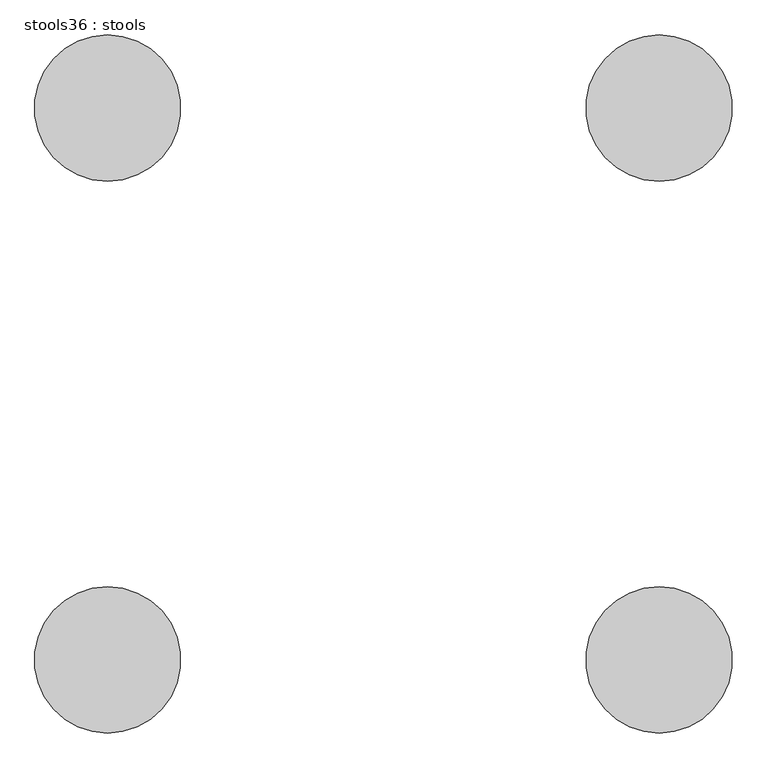
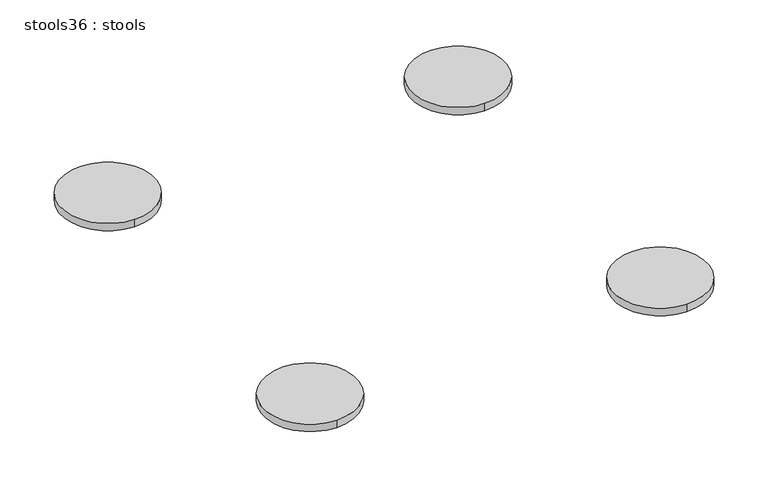
"""IFC4 building model written with IfcOpenShell, lengths in millimetres: furniture geometry, stools36 : stools."""

import ifcopenshell
import ifcopenshell.guid

model = None  # the IFC model being written
_history = None  # IfcOwnerHistory: only IFC2X3 demands one
_inside = {}  # id of a spatial element -> (the spatial element, [elements in it])
_under = {}  # id of a project, library or spatial element -> (it, [spatial elements below it])
_declared = {}  # id of a project -> (the project, [libraries it declares])
_typed = {}  # id of a type object -> (the type object, [elements of that type])
_made_of = {}  # id of a material, layer set ... -> (it, [elements and type objects made of it])


def new_model(schema):
    """Start an empty IFC model of exactly this schema.

    Asked for "IFC4X3", IfcOpenShell would pick the latest addendum, in which some entities
    have other attributes; the version numbers below select the first issue.
    IFC2X3 requires an IfcOwnerHistory on every rooted entity: one is made here for all.
    """
    global model, _history
    if schema == "IFC4X3":
        model = ifcopenshell.file(schema_version=(4, 3, 0, 0))
    else:
        model = ifcopenshell.file(schema=schema)
    _inside.clear()
    _under.clear()
    _declared.clear()
    _typed.clear()
    _made_of.clear()
    _history = None
    if model.schema == "IFC2X3":
        org = make("IfcOrganization", Name="unknown")
        user = make(
            "IfcPersonAndOrganization",
            ThePerson=make("IfcPerson", FamilyName="unknown"),
            TheOrganization=org,
        )
        app = make(
            "IfcApplication",
            ApplicationDeveloper=org,
            Version="unknown",
            ApplicationFullName="unknown",
            ApplicationIdentifier="unknown",
        )
        _history = make(
            "IfcOwnerHistory",
            OwningUser=user,
            OwningApplication=app,
            ChangeAction="ADDED",
            CreationDate=0,
        )
    return model


def make(cls, **values):
    """One entity of the class cls with the attributes given. An attribute that is None is left unset."""
    return model.create_entity(
        cls, **{name: value for name, value in values.items() if value is not None}
    )


def rooted(cls, **values):
    """An entity with a GlobalId (a new one), such as an element, a storey or a relation."""
    return make(cls, GlobalId=ifcopenshell.guid.new(), OwnerHistory=_history, **values)


def si_unit(unit_type, name, prefix=None):
    """IfcSIUnit, for example si_unit("LENGTHUNIT", "METRE", prefix="MILLI")."""
    return make("IfcSIUnit", UnitType=unit_type, Prefix=prefix, Name=name)


def assignment(units):
    """IfcUnitAssignment: the units of a project."""
    return None if units is None else make("IfcUnitAssignment", Units=units)


def point(xyz):
    """IfcCartesianPoint."""
    return None if xyz is None else make("IfcCartesianPoint", Coordinates=xyz)


def direction(xyz):
    """IfcDirection."""
    return None if xyz is None else make("IfcDirection", DirectionRatios=xyz)


def frame(location, z_axis=None, x_axis=None):
    """IfcAxis2Placement3D, a coordinate frame: its origin and axes. An axis left out is left unset."""
    return make(
        "IfcAxis2Placement3D",
        Location=point(location),
        Axis=direction(z_axis),
        RefDirection=direction(x_axis),
    )


def frame_2d(location, x_axis=None):
    """IfcAxis2Placement2D, a coordinate frame in the plane: its origin and x axis."""
    return make(
        "IfcAxis2Placement2D", Location=point(location), RefDirection=direction(x_axis)
    )


def origin():
    """The frame at (0, 0, 0) with its axes left unset."""
    return frame((0.0, 0.0, 0.0))


def place(relative_to, where):
    """IfcLocalPlacement: puts the frame where relative to a parent placement (None: the world)."""
    return make(
        "IfcLocalPlacement", PlacementRelTo=relative_to, RelativePlacement=where
    )


def context(
    kind, dimensions, precision=None, world=None, true_north=None, identifier=None
):
    """IfcGeometricRepresentationContext, for example the 3D "Model" context."""
    return make(
        "IfcGeometricRepresentationContext",
        ContextIdentifier=identifier,
        ContextType=kind,
        CoordinateSpaceDimension=dimensions,
        Precision=precision,
        WorldCoordinateSystem=world,
        TrueNorth=true_north,
    )


def project(units=None, contexts=None):
    """IfcProject with its units and contexts."""
    return rooted(
        "IfcProject",
        Name="project",
        RepresentationContexts=contexts,
        UnitsInContext=assignment(units),
    )


def spatial(cls, under=None, at=None, **own):
    """A site, building, storey or space (cls), placed at a placement, below another one or the project."""
    s = rooted(cls, ObjectPlacement=at, **own)
    if under is not None:
        _under.setdefault(under.id(), (under, []))[1].append(s)
    return s


def circle_curve(where, radius):
    """IfcCircle in the frame where."""
    return make("IfcCircle", Position=where, Radius=radius)


def trimmed(basis, trim1, trim2, sense, master):
    """IfcTrimmedCurve: the piece of a basis curve between two trims."""
    return make(
        "IfcTrimmedCurve",
        BasisCurve=basis,
        Trim1=trim1,
        Trim2=trim2,
        SenseAgreement=sense,
        MasterRepresentation=master,
    )


def segment(curve, same_sense, transition):
    """IfcCompositeCurveSegment."""
    return make(
        "IfcCompositeCurveSegment",
        Transition=transition,
        SameSense=same_sense,
        ParentCurve=curve,
    )


def composite_curve(segments, self_intersect=None):
    """IfcCompositeCurve: segments joined end to end."""
    return make("IfcCompositeCurve", Segments=segments, SelfIntersect=self_intersect)


def outline(outer, holes=None, kind="AREA"):
    """IfcArbitraryClosedProfileDef: a profile drawn as a closed curve; with holes, ...WithVoids."""
    if holes is None:
        return make("IfcArbitraryClosedProfileDef", ProfileType=kind, OuterCurve=outer)
    return make(
        "IfcArbitraryProfileDefWithVoids",
        ProfileType=kind,
        OuterCurve=outer,
        InnerCurves=holes,
    )


def extrude(swept, where, along, depth):
    """IfcExtrudedAreaSolid: the profile swept, set in the frame where, extruded along a direction by depth."""
    return make(
        "IfcExtrudedAreaSolid",
        SweptArea=swept,
        Position=where,
        ExtrudedDirection=direction(along),
        Depth=depth,
    )


def shape(context_of_items, identifier, shape_type, items):
    """IfcShapeRepresentation: the items that make up one representation, for example the "Body"."""
    return make(
        "IfcShapeRepresentation",
        ContextOfItems=context_of_items,
        RepresentationIdentifier=identifier,
        RepresentationType=shape_type,
        Items=items,
    )


def source(mapping_origin, context_of_items, identifier, shape_type, items):
    """IfcRepresentationMap: a shape defined once, which mapped items show again and again."""
    return make(
        "IfcRepresentationMap",
        MappingOrigin=mapping_origin,
        MappedRepresentation=shape(context_of_items, identifier, shape_type, items),
    )


def transform(
    local_origin,
    x_axis=None,
    y_axis=None,
    z_axis=None,
    scale=None,
    scale2=None,
    scale3=None,
    uniform=True,
):
    """IfcCartesianTransformationOperator3D, or its non-uniform kind. x_axis, y_axis, z_axis: its Axis1, 2, 3."""
    if uniform:
        return make(
            "IfcCartesianTransformationOperator3D",
            Axis1=direction(x_axis),
            Axis2=direction(y_axis),
            LocalOrigin=point(local_origin),
            Scale=scale,
            Axis3=direction(z_axis),
        )
    return make(
        "IfcCartesianTransformationOperator3DnonUniform",
        Axis1=direction(x_axis),
        Axis2=direction(y_axis),
        LocalOrigin=point(local_origin),
        Scale=scale,
        Axis3=direction(z_axis),
        Scale2=scale2,
        Scale3=scale3,
    )


def mapped(mapping_source, mapping_target):
    """IfcMappedItem: shows the shape of a source again, moved by a transform."""
    return make(
        "IfcMappedItem", MappingSource=mapping_source, MappingTarget=mapping_target
    )


def made_of(thing, what):
    """Note that an element or type object is made of a material, layer set ...; save() writes the relation."""
    if what is not None:
        _made_of.setdefault(what.id(), (what, []))[1].append(thing)
    return thing


def element(
    cls,
    number,
    at=None,
    inside=None,
    cuts=None,
    type_object=None,
    material=None,
    context=None,
    identifier="Body",
    shape_type=None,
    held_by="IfcProductDefinitionShape",
    body=None,
    shapes=None,
    **own,
):
    """One element of the class cls, such as IfcWall. Its Tag is "e" and its number.

    at: its placement. inside: the storey or other place that contains it. cuts: it is an
    opening in that element (IfcRelVoidsElement). A single representation is given by context,
    identifier, shape_type and body (its items); several are given by shapes. held_by: the class
    of the entity that holds the representations. save() writes the other relations.
    """
    e = rooted(cls, Tag="e%d" % number, ObjectPlacement=at, **own)
    if body is not None:
        shapes = [shape(context, identifier, shape_type, body)]
    if shapes is not None:
        e.Representation = make(held_by, Representations=shapes)
    if inside is not None:
        _inside.setdefault(inside.id(), (inside, []))[1].append(e)
    if cuts is not None:
        rooted(
            "IfcRelVoidsElement", RelatingBuildingElement=cuts, RelatedOpeningElement=e
        )
    if type_object is not None:
        _typed.setdefault(type_object.id(), (type_object, []))[1].append(e)
    return made_of(e, material)


def aggregate(whole, parts):
    """IfcRelAggregates: a whole, such as a stair, and the parts it consists of."""
    return rooted("IfcRelAggregates", RelatingObject=whole, RelatedObjects=parts)


def save(model, path):
    """Write the relations noted so far, then the file.

    IfcRelAggregates (storeys below a building ...), IfcRelContainedInSpatialStructure (elements
    in a storey), IfcRelDefinesByType, IfcRelAssociatesMaterial and IfcRelDeclares: one each for
    every whole, place, type object, material and project.
    """
    for whole, parts in _under.values():
        aggregate(whole, parts)
    for where, things in _inside.values():
        rooted(
            "IfcRelContainedInSpatialStructure",
            RelatedElements=things,
            RelatingStructure=where,
        )
    for kind, things in _typed.values():
        rooted("IfcRelDefinesByType", RelatedObjects=things, RelatingType=kind)
    for what, things in _made_of.values():
        rooted("IfcRelAssociatesMaterial", RelatedObjects=things, RelatingMaterial=what)
    for by, libraries in _declared.values():
        rooted("IfcRelDeclares", RelatingContext=by, RelatedDefinitions=libraries)
    model.write(path)


def stools36_stools_4c1dffd6(model_context):
    return source(origin(), model_context, "Body", "SweptSolid", [
        extrude(outline(composite_curve([segment(trimmed(circle_curve(frame_2d((-119345.119087, -39289.4385307)), 152.4), [point((-119345.119087, -39137.0385307))], [point((-119345.119087, -39441.8385307))], False, "CARTESIAN"), True, "CONTINUOUS"), segment(trimmed(circle_curve(frame_2d((-119345.119087, -39289.4385307)), 152.4), [point((-119345.119087, -39441.8385307))], [point((-119345.119087, -39137.0385307))], False, "CARTESIAN"), True, "CONTINUOUS")], self_intersect=False)), frame((0.0, 0.0, 457.2), z_axis=(0.0, 0.0, 1.0), x_axis=(1.0, 0.0, 0.0)), (0.0, 0.0, 1.0), 25.4),
        extrude(outline(composite_curve([segment(trimmed(circle_curve(frame_2d((-120494.5918705, -39289.4385307)), 152.4), [point((-120494.5918705, -39137.0385307))], [point((-120494.5918705, -39441.8385307))], False, "CARTESIAN"), True, "CONTINUOUS"), segment(trimmed(circle_curve(frame_2d((-120494.5918705, -39289.4385307)), 152.4), [point((-120494.5918705, -39441.8385307))], [point((-120494.5918705, -39137.0385307))], False, "CARTESIAN"), True, "CONTINUOUS")], self_intersect=False)), frame((0.0, 0.0, 457.2), z_axis=(0.0, 0.0, 1.0), x_axis=(1.0, 0.0, 0.0)), (0.0, 0.0, 1.0), 25.4),
        extrude(outline(composite_curve([segment(trimmed(circle_curve(frame_2d((-119345.119087, -38139.9657472)), 152.4), [point((-119345.119087, -38292.3657472))], [point((-119345.119087, -37987.5657472))], False, "CARTESIAN"), True, "CONTINUOUS"), segment(trimmed(circle_curve(frame_2d((-119345.119087, -38139.9657472)), 152.4), [point((-119345.119087, -37987.5657472))], [point((-119345.119087, -38292.3657472))], False, "CARTESIAN"), True, "CONTINUOUS")], self_intersect=False)), frame((0.0, 0.0, 457.2), z_axis=(0.0, 0.0, 1.0), x_axis=(1.0, 0.0, 0.0)), (0.0, 0.0, 1.0), 25.4),
        extrude(outline(composite_curve([segment(trimmed(circle_curve(frame_2d((-120494.5918705, -38139.9657472)), 152.4), [point((-120494.5918705, -38292.3657472))], [point((-120494.5918705, -37987.5657472))], False, "CARTESIAN"), True, "CONTINUOUS"), segment(trimmed(circle_curve(frame_2d((-120494.5918705, -38139.9657472)), 152.4), [point((-120494.5918705, -37987.5657472))], [point((-120494.5918705, -38292.3657472))], False, "CARTESIAN"), True, "CONTINUOUS")], self_intersect=False)), frame((0.0, 0.0, 457.2), z_axis=(0.0, 0.0, 1.0), x_axis=(1.0, 0.0, 0.0)), (0.0, 0.0, 1.0), 25.4),
    ])


if __name__ == "__main__":
    model = new_model("IFC4")
    model_context = context("Model", 3, world=origin())
    ifc_project = project(units=[si_unit("LENGTHUNIT", "METRE", prefix="MILLI")], contexts=[model_context])
    site = spatial("IfcSite", under=ifc_project)
    building = spatial("IfcBuilding", under=site)
    placement = place(None, origin())
    stools36_stools_shape = stools36_stools_4c1dffd6(model_context)
    element("IfcFurniture", 1, ObjectType="stools36 : stools", at=placement, inside=building, context=model_context, shape_type="MappedRepresentation", body=[
        mapped(stools36_stools_shape, transform((0.0, 0.0, 0.0), x_axis=(1.0, 0.0, 0.0), y_axis=(0.0, 1.0, 0.0), z_axis=(0.0, 0.0, 1.0))),
    ])
    save(model, "model.ifc")
